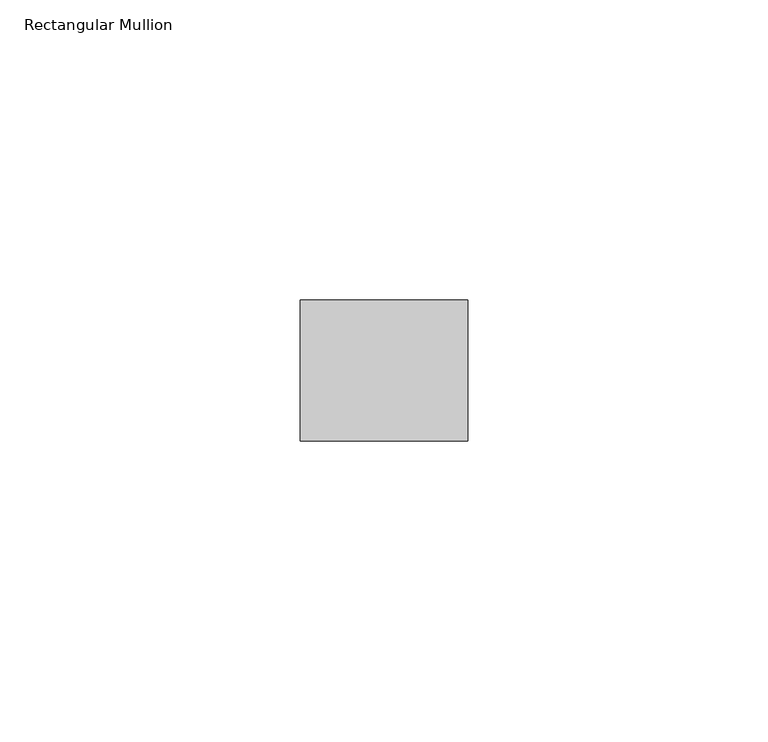
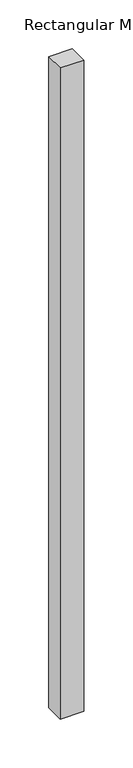
"""IFC4 building model written with IfcOpenShell, lengths in millimetres: member geometry, Rectangular Mullion."""

from ifc_helpers import new_model, si_unit, frame, origin, place, context, project, spatial, polyline, outline, extrude, source, transform, mapped, element, save


def rectangular_mullion_55dd2190(model_context):
    return source(origin(), model_context, "Body", "SweptSolid", [
        extrude(outline(polyline([(0.0, -11.7474999), (-27.94, -11.7474999), (-27.94, 11.7474999), (0.0, 11.7474999), (0.0, -11.7474999)])), frame((0.0, 0.0, -815.4134176), z_axis=(0.0, 0.0, 1.0), x_axis=(1.0, 0.0, 0.0)), (0.0, 0.0, 1.0), 815.4134176),
    ])


if __name__ == "__main__":
    model = new_model("IFC4")
    model_context = context("Model", 3, world=origin())
    ifc_project = project(units=[si_unit("LENGTHUNIT", "METRE", prefix="MILLI")], contexts=[model_context])
    site = spatial("IfcSite", under=ifc_project)
    building = spatial("IfcBuilding", under=site)
    placement = place(None, origin())
    rectangular_mullion_shape = rectangular_mullion_55dd2190(model_context)
    element("IfcMember", 1, ObjectType="Rectangular Mullion", at=placement, inside=building, context=model_context, shape_type="MappedRepresentation", body=[
        mapped(rectangular_mullion_shape, transform((0.0, 0.0, 0.0), x_axis=(1.0, 0.0, 0.0), y_axis=(0.0, 1.0, 0.0), z_axis=(0.0, 0.0, 1.0))),
    ])
    save(model, "model.ifc")
